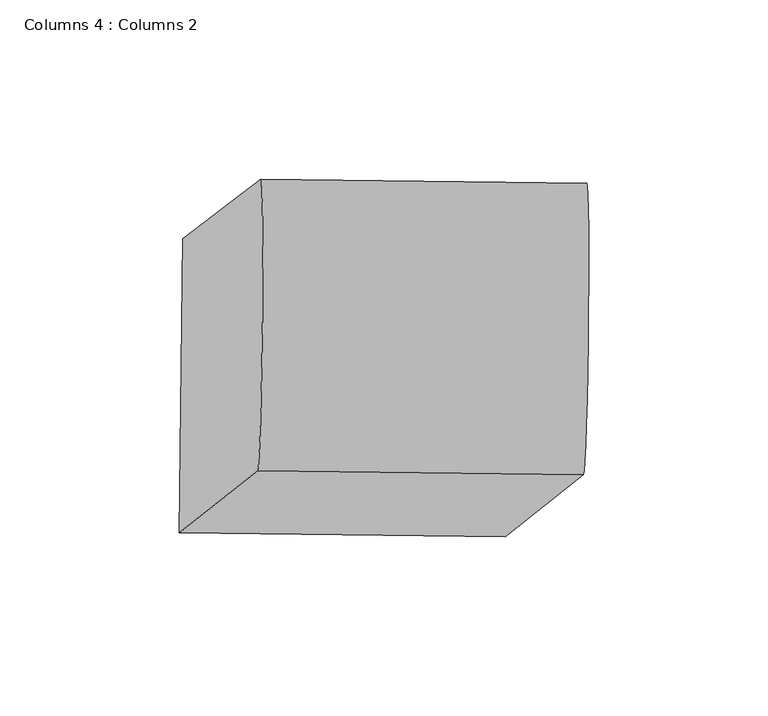
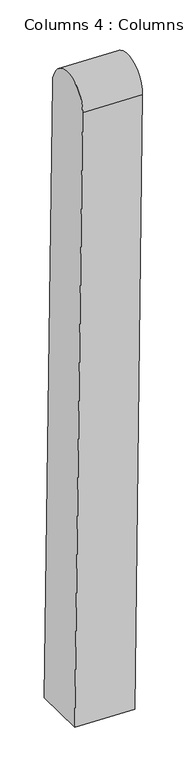
"""IFC4 building model written with IfcOpenShell, lengths in millimetres: column geometry, Columns 4 : Columns 2."""

from ifc_helpers import new_model, si_unit, point, frame, frame_2d, origin, place, context, project, spatial, polyline, circle_curve, trimmed, segment, composite_curve, outline, extrude, source, transform, mapped, element, save


def columns_4_columns_2_5bcc65e0(model_context):
    return source(origin(), model_context, "Body", "SweptSolid", [
        extrude(outline(composite_curve([segment(trimmed(circle_curve(frame_2d((10.490168, -40.6566777)), 40.6566776), [point((10.490168, 0.0))], [point((10.5225366, -81.3133424))], False, "CARTESIAN"), True, "CONTINUOUS"), segment(polyline([(10.5225366, -81.3133424), (-965.6570952, -82.0905221), (-966.577053, 0.0), (10.490168, 0.0)]), True, "CONTINUOUS")], self_intersect=False)), frame((-40853.324237, 33787.2581713, 110021.1341614), z_axis=(-0.9996884611824944, 0.011505542882479071, 0.022149561204588105), x_axis=(0.02234027751833227, 0.016720789438561805, 0.9996105877795389)), (0.0, 0.0, 1.0), 90.8928544),
    ])


if __name__ == "__main__":
    model = new_model("IFC4")
    model_context = context("Model", 3, world=origin())
    ifc_project = project(units=[si_unit("LENGTHUNIT", "METRE", prefix="MILLI")], contexts=[model_context])
    site = spatial("IfcSite", under=ifc_project)
    building = spatial("IfcBuilding", under=site)
    placement = place(None, origin())
    columns_4_columns_2_shape = columns_4_columns_2_5bcc65e0(model_context)
    element("IfcColumn", 1, ObjectType="Columns 4 : Columns 2", at=placement, inside=building, context=model_context, shape_type="MappedRepresentation", body=[
        mapped(columns_4_columns_2_shape, transform((0.0, 0.0, 0.0), x_axis=(1.0, 0.0, 0.0), y_axis=(0.0, 1.0, 0.0), z_axis=(0.0, 0.0, 1.0))),
    ])
    save(model, "model.ifc")
